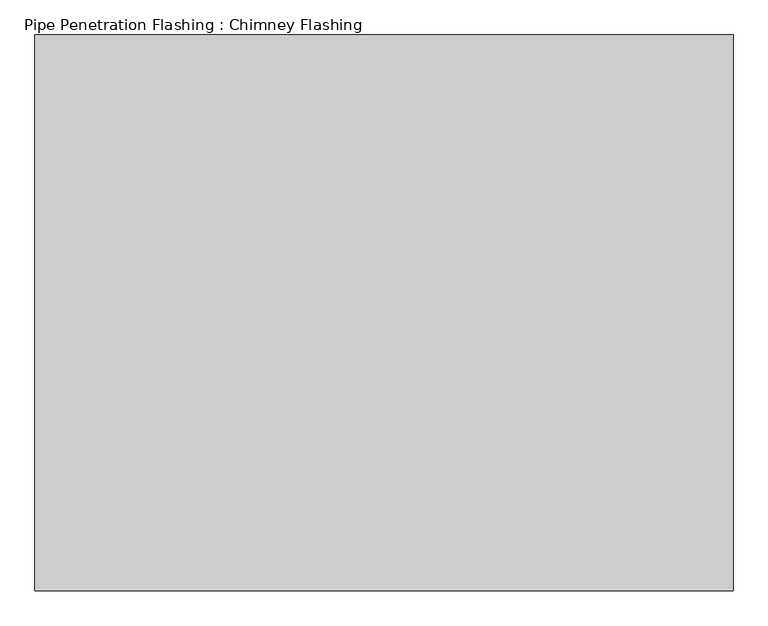
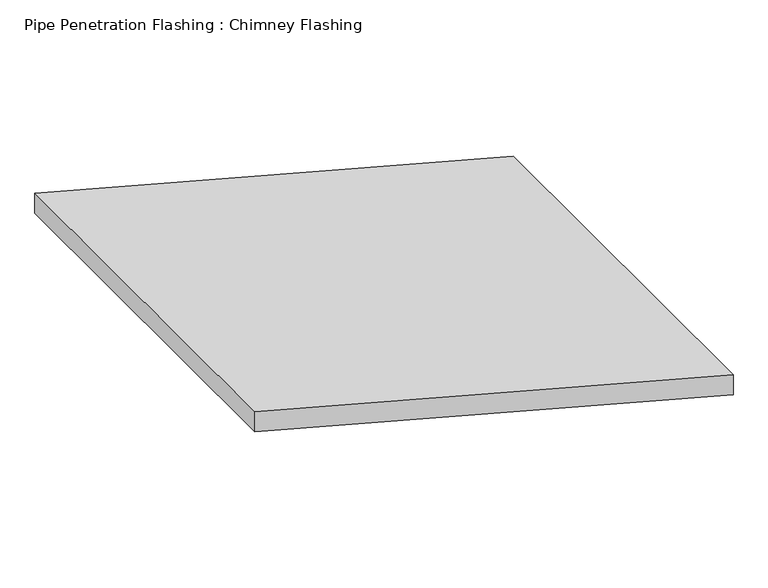
"""IFC4 building model written with IfcOpenShell, lengths in millimetres: proxy geometry, Pipe Penetration Flashing : Chimney Flashing."""

from ifc_helpers import new_model, si_unit, frame, origin, place, context, project, spatial, polyline, outline, extrude, source, transform, mapped, element, save


def pipe_penetration_flashing_chimney_flashing_9856ff9b(model_context):
    return source(origin(), model_context, "Body", "SweptSolid", [
        extrude(outline(polyline([(5918.6213183, 4682.178133), (5965.2087464, 4682.178133), (6247.9654108, 3626.9158954), (6201.3779827, 3626.9158954), (5918.6213183, 4682.178133)])), frame((0.0, 3469.9919834, 0.0), z_axis=(0.0, 1.0, 0.0), x_axis=(0.0, 0.0, 1.0)), (0.0, 0.0, 1.0), 840.0),
    ])


if __name__ == "__main__":
    model = new_model("IFC4")
    model_context = context("Model", 3, world=origin())
    ifc_project = project(units=[si_unit("LENGTHUNIT", "METRE", prefix="MILLI")], contexts=[model_context])
    site = spatial("IfcSite", under=ifc_project)
    building = spatial("IfcBuilding", under=site)
    placement = place(None, origin())
    pipe_penetration_flashing_chimney_flashing_shape = pipe_penetration_flashing_chimney_flashing_9856ff9b(model_context)
    element("IfcBuildingElementProxy", 1, Name="Pipe Penetration Flashing : Chimney Flashing", ObjectType="Pipe Penetration Flashing : Chimney Flashing", at=placement, inside=building, context=model_context, shape_type="MappedRepresentation", body=[
        mapped(pipe_penetration_flashing_chimney_flashing_shape, transform((0.0, 0.0, 0.0), x_axis=(1.0, 0.0, 0.0), y_axis=(0.0, 1.0, 0.0), z_axis=(0.0, 0.0, 1.0))),
    ])
    save(model, "model.ifc")
